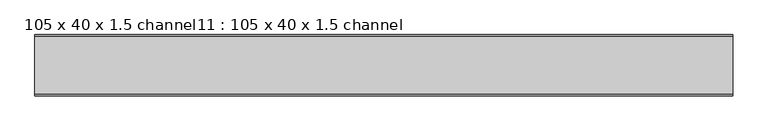
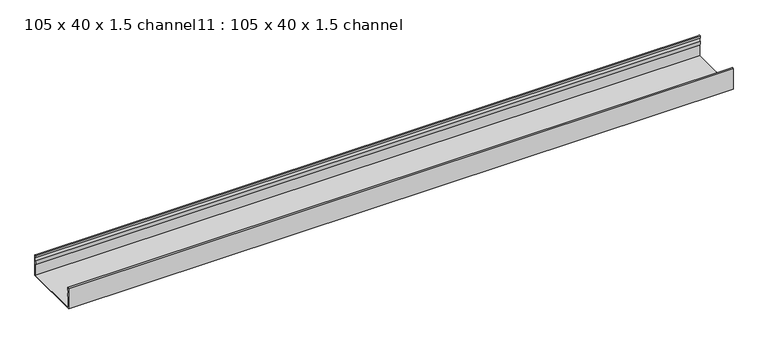
"""IFC4 building model written with IfcOpenShell, lengths in millimetres: proxy geometry, 105 x 40 x 1.5 channel11 : 105 x 40 x 1.5 channel."""

from ifc_helpers import new_model, si_unit, point, frame, frame_2d, origin, place, context, project, spatial, polyline, circle_curve, trimmed, segment, composite_curve, outline, extrude, source, transform, mapped, element, save


def proxy_105_x_40_x_1_5_channel11_105_x_40_x_1_5_channel_ab61ec8d(model_context):
    return source(origin(), model_context, "Body", "SweptSolid", [
        extrude(outline(composite_curve([segment(trimmed(circle_curve(frame_2d((-31247.5343538, 32.0)), 10.0), [point((-31237.9590458, 29.1166898))], [point((-31237.9590458, 34.8833102))], True, "CARTESIAN"), True, "CONTINUOUS"), segment(polyline([(-31237.9590458, 34.8833102), (-31238.5343538, 38.8)]), True, "CONTINUOUS"), segment(trimmed(circle_curve(frame_2d((-31237.3343538, 38.8)), 1.2), [point((-31238.5343538, 38.8))], [point((-31236.1343538, 38.8))], False, "CARTESIAN"), True, "CONTINUOUS"), segment(polyline([(-31236.1343538, 38.8), (-31236.1343538, 0.0), (-31341.4343538, 0.0), (-31341.4343538, 38.8)]), True, "CONTINUOUS"), segment(trimmed(circle_curve(frame_2d((-31340.2343538, 38.8)), 1.2), [point((-31341.4343538, 38.8))], [point((-31339.0343538, 38.8))], False, "CARTESIAN"), True, "CONTINUOUS"), segment(polyline([(-31339.0343538, 38.8), (-31339.6096617, 34.8833102)]), True, "CONTINUOUS"), segment(trimmed(circle_curve(frame_2d((-31330.0343538, 32.0)), 10.0), [point((-31339.6096617, 34.8833102))], [point((-31339.6096617, 29.1166898))], True, "CARTESIAN"), True, "CONTINUOUS"), segment(trimmed(circle_curve(frame_2d((-31349.0343538, 25.77376)), 10.0), [point((-31339.6096617, 29.1166898))], [point((-31340.0343538, 21.4148611))], False, "CARTESIAN"), True, "CONTINUOUS"), segment(polyline([(-31340.0343538, 21.4148611), (-31340.0343538, 1.4), (-31237.5343538, 1.4), (-31237.5343538, 21.4148611)]), True, "CONTINUOUS"), segment(trimmed(circle_curve(frame_2d((-31228.5343538, 25.77376)), 10.0), [point((-31237.5343538, 21.4148611))], [point((-31237.9590458, 29.1166898))], False, "CARTESIAN"), True, "CONTINUOUS")], self_intersect=False)), frame((7271.6491514, 0.0, 0.0), z_axis=(1.0, 0.0, 0.0), x_axis=(0.0, 1.0, 0.0)), (0.0, 0.0, 1.0), 1200.1845315),
    ])


if __name__ == "__main__":
    model = new_model("IFC4")
    model_context = context("Model", 3, world=origin())
    ifc_project = project(units=[si_unit("LENGTHUNIT", "METRE", prefix="MILLI")], contexts=[model_context])
    site = spatial("IfcSite", under=ifc_project)
    building = spatial("IfcBuilding", under=site)
    placement = place(None, origin())
    proxy_105_x_40_x_1_5_channel11_105_x_40_x_1_5_channel_shape = proxy_105_x_40_x_1_5_channel11_105_x_40_x_1_5_channel_ab61ec8d(model_context)
    element("IfcBuildingElementProxy", 1, Name="105 x 40 x 1.5 channel11 : 105 x 40 x 1.5 channel", ObjectType="105 x 40 x 1.5 channel11 : 105 x 40 x 1.5 channel", at=placement, inside=building, context=model_context, shape_type="MappedRepresentation", body=[
        mapped(proxy_105_x_40_x_1_5_channel11_105_x_40_x_1_5_channel_shape, transform((0.0, 0.0, 0.0), x_axis=(1.0, 0.0, 0.0), y_axis=(0.0, 1.0, 0.0), z_axis=(0.0, 0.0, 1.0))),
    ])
    save(model, "model.ifc")
